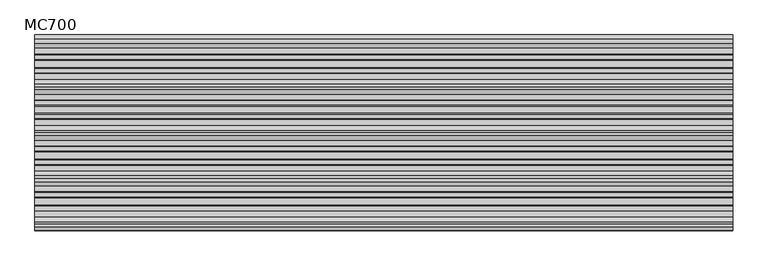
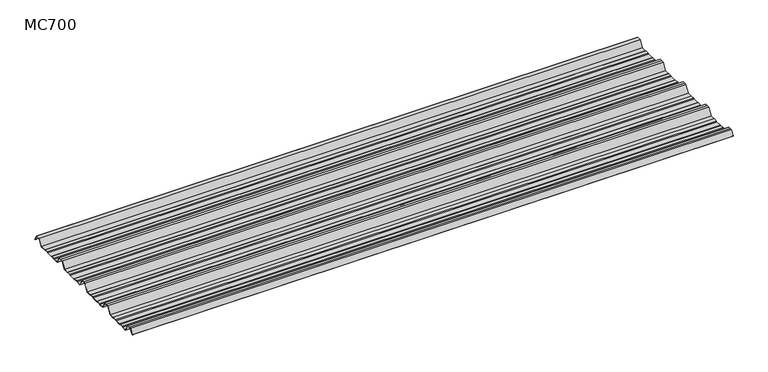
"""IFC4 building model written with IfcOpenShell, lengths in millimetres: beam geometry, MC700."""

from ifc_helpers import new_model, si_unit, point, frame, frame_2d, origin, place, context, project, spatial, polyline, circle_curve, trimmed, segment, composite_curve, outline, extrude, source, transform, mapped, element, save


def mc700_fb09e1d6(model_context):
    return source(origin(), model_context, "Body", "SweptSolid", [
        extrude(outline(composite_curve([segment(polyline([(-279.7790109, -25.7896475), (-284.1593286, -23.7494212), (-300.5873198, -23.7494212), (-303.802364, -25.7896475), (-326.5000016, -25.7896475), (-344.5745116, 5.2103525), (-355.0, 5.2103525), (-365.4254884, 5.2103525), (-383.4999984, -25.7896475), (-406.197636, -25.7896475), (-409.4126802, -23.7494212), (-425.8406714, -23.7494212), (-430.2209891, -25.7896475), (-457.2790109, -25.7896475), (-461.6593286, -23.7494212), (-478.0873198, -23.7494212), (-481.302364, -25.7896475), (-504.0000016, -25.7896475), (-522.0745116, 5.2103525), (-532.5, 5.2103525), (-542.9254884, 5.2103525), (-560.9999984, -25.7896475), (-583.697636, -25.7896475), (-586.9126802, -23.7494212), (-603.3406714, -23.7494212), (-607.7209891, -25.7896475), (-634.7790109, -25.7896475), (-639.1593286, -23.7494212), (-655.5873198, -23.7494212), (-658.802364, -25.7896475), (-681.5000016, -25.7896475), (-699.5745116, 5.2103525), (-710.0, 5.2103525), (-720.4254884, 5.2103525), (-732.728303, -15.8904825)]), True, "CONTINUOUS"), segment(trimmed(circle_curve(frame_2d((-733.160246, -15.6386387)), 0.5), [point((-732.728303, -15.8904825))], [point((-733.5921889, -15.3867949))], False, "CARTESIAN"), True, "CONTINUOUS"), segment(polyline([(-733.5921889, -15.3867949), (-721.0, 6.2103525), (-710.0, 6.2103525), (-699.0, 6.2103525), (-680.92549, -24.7896475), (-659.0928785, -24.7896475), (-655.8778343, -22.7494212), (-638.9378651, -22.7494212), (-634.5575473, -24.7896475), (-607.9424527, -24.7896475), (-603.5621349, -22.7494212), (-586.6221657, -22.7494212), (-583.4071215, -24.7896475), (-561.57451, -24.7896475), (-543.5, 6.2103525), (-532.5, 6.2103525), (-521.5, 6.2103525), (-503.42549, -24.7896475), (-481.5928785, -24.7896475), (-478.3778343, -22.7494212), (-461.4378651, -22.7494212), (-457.0575473, -24.7896475), (-430.4424527, -24.7896475), (-426.0621349, -22.7494212), (-409.1221657, -22.7494212), (-405.9071215, -24.7896475), (-384.07451, -24.7896475), (-366.0, 6.2103525), (-355.0, 6.2103525), (-344.0, 6.2103525), (-325.92549, -24.7896475), (-304.0928785, -24.7896475), (-300.8778343, -22.7494212), (-283.9378651, -22.7494212), (-279.5575473, -24.7896475), (-252.9424527, -24.7896475), (-248.5621349, -22.7494212), (-231.6221657, -22.7494212), (-228.4071215, -24.7896475), (-206.57451, -24.7896475), (-188.5, 6.2103525), (-177.5, 6.2103525), (-166.5, 6.2103525), (-148.42549, -24.7896475), (-126.5928785, -24.7896475), (-123.3778343, -22.7494212), (-106.4378651, -22.7494212), (-102.0575473, -24.7896475), (-75.4424527, -24.7896475), (-71.0621349, -22.7494212), (-54.1221657, -22.7494212), (-50.9071215, -24.7896475), (-26.7593894, -24.7896475), (-9.8509769, 4.2103525), (9.8509769, 4.2103525), (24.2964926, -20.5654776)]), True, "CONTINUOUS"), segment(trimmed(circle_curve(frame_2d((23.8645497, -20.8173214)), 0.5), [point((24.2964926, -20.5654776))], [point((23.4326067, -21.0691651))], False, "CARTESIAN"), True, "CONTINUOUS"), segment(polyline([(23.4326067, -21.0691651), (9.2764653, 3.2103525), (-9.2764653, 3.2103525), (-26.1848779, -25.7896475), (-51.197636, -25.7896475), (-54.4126802, -23.7494212), (-70.8406714, -23.7494212), (-75.2209891, -25.7896475), (-102.2790109, -25.7896475), (-106.6593286, -23.7494212), (-123.0873198, -23.7494212), (-126.302364, -25.7896475), (-149.0000016, -25.7896475), (-167.0745116, 5.2103525), (-177.5, 5.2103525), (-187.9254884, 5.2103525), (-205.9999984, -25.7896475), (-228.697636, -25.7896475), (-231.9126802, -23.7494212), (-248.3406714, -23.7494212), (-252.7209891, -25.7896475), (-279.7790109, -25.7896475)]), True, "CONTINUOUS")], self_intersect=False)), frame((-1352.1921243, 0.0, 0.0), z_axis=(1.0, 0.0, 0.0), x_axis=(0.0, 1.0, 0.0)), (0.0, 0.0, 1.0), 2704.3842486),
    ])


if __name__ == "__main__":
    model = new_model("IFC4")
    model_context = context("Model", 3, world=origin())
    ifc_project = project(units=[si_unit("LENGTHUNIT", "METRE", prefix="MILLI")], contexts=[model_context])
    site = spatial("IfcSite", under=ifc_project)
    building = spatial("IfcBuilding", under=site)
    placement = place(None, origin())
    mc700_shape = mc700_fb09e1d6(model_context)
    element("IfcBeam", 1, ObjectType="MC700", at=placement, inside=building, context=model_context, shape_type="MappedRepresentation", body=[
        mapped(mc700_shape, transform((0.0, 0.0, 0.0), x_axis=(1.0, 0.0, 0.0), y_axis=(0.0, 1.0, 0.0), z_axis=(0.0, 0.0, 1.0))),
    ])
    save(model, "model.ifc")
